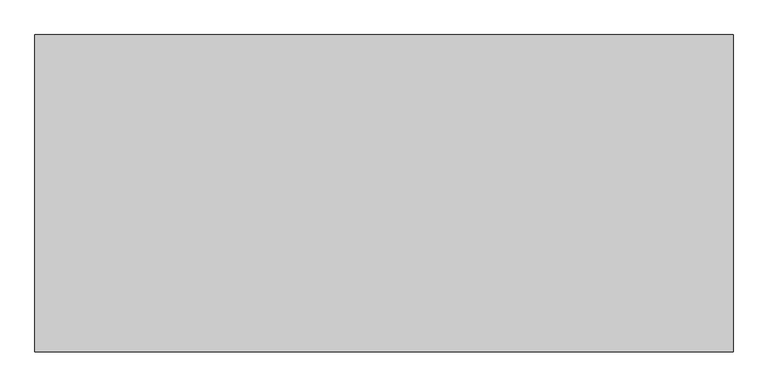
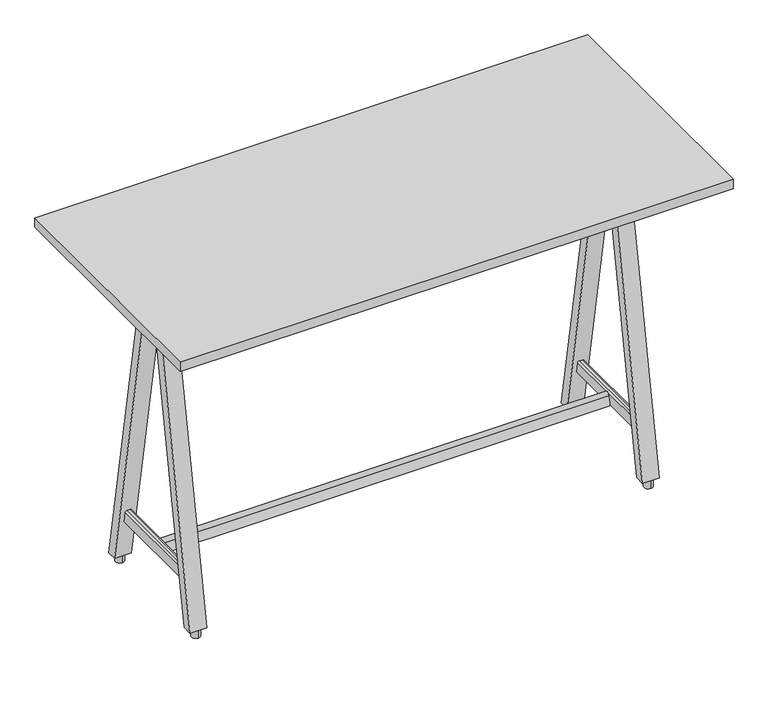
"""IFC4 building model written with IfcOpenShell, lengths in millimetres: furniture geometry."""

from ifc_helpers import new_model, si_unit, point, frame, frame_2d, origin, origin_with_axes, place, context, project, spatial, polyline, circle_curve, ellipse_curve, trimmed, segment, composite_curve, outline, extrude, source, transform, mapped, element, save
from ifc_brep_helpers import plane_surface, cylinder_surface, advanced_brep


def furniture_aec47298(model_context):
    return source(origin(), model_context, "Body", "SolidModel", [
        advanced_brep(
        [(771.6204248, 160.1939329, 150.8125), (771.6204248, 154.368117, 183.8523437), (771.6204248, -154.368117, 183.8523437), (771.6204248, -160.1939329, 150.8125), (766.5602685, 153.4758749, 188.9125), (766.5602685, -153.4758749, 188.9125), (757.6504157, 153.4758749, 188.9125), (757.6504157, -153.4758749, 188.9125), (752.5704157, 154.371616, 183.8325), (752.5704157, -154.371616, 183.8325), (752.5704157, 160.1939329, 150.8125), (752.5704157, -160.1939329, 150.8125), (736.6, 182.3075404, 25.4), (736.6, 9.8773859, 1003.3), (736.6, 40.5051911, 1003.3), (736.6, 212.9353456, 25.4), (787.4, 182.3075404, 25.4), (787.4, 212.9353456, 25.4), (787.4, 40.5051911, 1003.3), (787.4, 9.8773859, 1003.3), (736.6, -182.3075404, 25.4), (736.6, -212.9353456, 25.4), (736.6, -40.5051911, 1003.3), (736.6, -9.8773859, 1003.3), (787.4, -182.3075404, 25.4), (787.4, -9.8773859, 1003.3), (787.4, -40.5051911, 1003.3), (787.4, -212.9353456, 25.4)],
        [
            (0, 1),
            (1, 2),
            (2, 3),
            (3, 0),
            (1, 4, ellipse_curve(frame((766.5602685, 154.368117, 183.8523437), z_axis=(0.0, -0.9848077530122079, -0.17364817766693155), x_axis=(0.0, -0.1736481776669305, 0.984807753012208)), 5.1382173, 5.0601563)),
            (4, 5),
            (5, 2, ellipse_curve(frame((766.5602685, -154.368117, 183.8523437), z_axis=(0.0, 0.9848077530122079, -0.17364817766693152), x_axis=(0.0, -0.1736481776669314, -0.9848077530122078)), 5.1382173, 5.0601563)),
            (4, 6),
            (6, 7),
            (7, 5),
            (6, 8, ellipse_curve(frame((757.6504157, 154.371616, 183.8325), z_axis=(0.0, -0.9848077530122079, -0.17364817766693155), x_axis=(0.0, -0.1736481776669305, 0.984807753012208)), 5.1583672, 5.08)),
            (8, 9),
            (9, 7, ellipse_curve(frame((757.6504157, -154.371616, 183.8325), z_axis=(0.0, 0.9848077530122079, -0.17364817766693152), x_axis=(0.0, -0.1736481776669314, -0.9848077530122078)), 5.1583672, 5.08)),
            (8, 10),
            (10, 11),
            (11, 9),
            (10, 0),
            (3, 11),
            (12, 13),
            (13, 14),
            (14, 15),
            (15, 12),
            (16, 17),
            (17, 18),
            (18, 19),
            (19, 16),
            (15, 17),
            (16, 12),
            (14, 18),
            (13, 19),
            (20, 21),
            (21, 22),
            (22, 23),
            (23, 20),
            (24, 25),
            (25, 26),
            (26, 27),
            (27, 24),
            (20, 24),
            (27, 21),
            (26, 22),
            (25, 23),
        ],
        [
            plane_surface(frame((771.6204248, -171.3906962, 150.8125), z_axis=(1.0, 0.0, 0.0), x_axis=(0.0, 1.0, 0.0))),
            cylinder_surface(frame((766.5602685, 171.3906962, 183.8523437), z_axis=(0.0, -1.0, 0.0), x_axis=(1.0, 0.0, 0.0)), 5.0601563),
            plane_surface(frame((766.5602685, -171.3906962, 188.9125), z_axis=(0.0, 0.0, 1.0), x_axis=(0.0, 1.0, 0.0))),
            cylinder_surface(frame((757.6504157, 171.3906962, 183.8325), z_axis=(0.0, -1.0, 0.0), x_axis=(1.0, 0.0, 0.0)), 5.08),
            plane_surface(frame((752.5704157, -171.3906962, 183.8325), z_axis=(-1.0, 0.0, 0.0), x_axis=(0.0, 1.0, 0.0))),
            plane_surface(frame((752.5704157, -171.3906962, 150.8125), z_axis=(0.0, 0.0, -1.0), x_axis=(0.0, 1.0, 0.0))),
            plane_surface(frame((736.6, 182.3075404, 25.4), z_axis=(-1.0, 0.0, 0.0), x_axis=(0.0, -0.17364817766693155, 0.9848077530122079))),
            plane_surface(frame((787.4, 182.3075404, 25.4), z_axis=(1.0, 0.0, 0.0), x_axis=(0.0, 0.17364817766693155, -0.9848077530122079))),
            plane_surface(frame((736.6, 212.9353456, 25.4), z_axis=(0.0, 0.0, -1.0), x_axis=(1.0, 0.0, 0.0))),
            plane_surface(frame((736.6, 40.5051911, 1003.3), z_axis=(0.0, 0.9848077530122079, 0.1736481776669316), x_axis=(1.0, 0.0, 0.0))),
            plane_surface(frame((736.6, 9.8773859, 1003.3), z_axis=(0.0, 0.0, 1.0), x_axis=(1.0, 0.0, 0.0))),
            plane_surface(frame((736.6, 182.3075404, 25.4), z_axis=(0.0, -0.9848077530122079, -0.17364817766693155), x_axis=(1.0, 0.0, 0.0))),
            plane_surface(frame((736.6, -212.9353456, 25.4), z_axis=(-1.0, 0.0, 0.0), x_axis=(0.0, -1.0, 0.0))),
            plane_surface(frame((787.4, -212.9353456, 25.4), z_axis=(1.0, 0.0, 0.0), x_axis=(0.0, 1.0, 0.0))),
            plane_surface(frame((736.6, -182.3075404, 25.4), z_axis=(0.0, 0.0, -1.0), x_axis=(1.0, 0.0, 0.0))),
            plane_surface(frame((736.6, -212.9353456, 25.4), z_axis=(0.0, -0.9848077530122079, 0.17364817766693147), x_axis=(1.0, 0.0, 0.0))),
            plane_surface(frame((736.6, -40.5051911, 1003.3), z_axis=(0.0, 0.0, 1.0), x_axis=(1.0, 0.0, 0.0))),
            plane_surface(frame((736.6, -9.8773859, 1003.3), z_axis=(0.0, 0.9848077530122079, -0.17364817766693152), x_axis=(1.0, 0.0, 0.0))),
        ],
        [
            (0, [[1, 2, 3, 4]]),
            (1, [[5, 6, 7, -2]]),
            (2, [[8, 9, 10, -6]]),
            (3, [[11, 12, 13, -9]]),
            (4, [[14, 15, 16, -12]]),
            (5, [[17, -4, 18, -15]]),
            (6, [[19, 20, 21, 22]]),
            (7, [[23, 24, 25, 26]]),
            (8, [[-22, 27, -23, 28]]),
            (9, [[-21, 29, -24, -27]]),
            (10, [[-20, 30, -25, -29]]),
            (11, [[-19, -28, -26, -30], [-1, -17, -14, -11, -8, -5]]),
            (12, [[31, 32, 33, 34]]),
            (13, [[35, 36, 37, 38]]),
            (14, [[-31, 39, -38, 40]]),
            (15, [[-32, -40, -37, 41]]),
            (16, [[-33, -41, -36, 42]]),
            (17, [[-34, -42, -35, -39], [-3, -7, -10, -13, -16, -18]]),
        ],
    ),
        extrude(outline(composite_curve([segment(trimmed(circle_curve(frame_2d((762.0, 199.3703837)), 12.7), [point((762.0, 186.6703837))], [point((762.0, 212.0703837))], False, "CARTESIAN"), True, "CONTINUOUS"), segment(trimmed(circle_curve(frame_2d((762.0, 199.3703837)), 12.7), [point((762.0, 212.0703837))], [point((762.0, 186.6703837))], False, "CARTESIAN"), True, "CONTINUOUS")], self_intersect=False)), origin_with_axes(), (0.0, 0.0, 1.0), 25.4),
        extrude(outline(composite_curve([segment(trimmed(circle_curve(frame_2d((762.0, -199.3703837)), 12.7), [point((762.0, -186.6703837))], [point((762.0, -212.0703837))], False, "CARTESIAN"), True, "CONTINUOUS"), segment(trimmed(circle_curve(frame_2d((762.0, -199.3703837)), 12.7), [point((762.0, -212.0703837))], [point((762.0, -186.6703837))], False, "CARTESIAN"), True, "CONTINUOUS")], self_intersect=False)), origin_with_axes(), (0.0, 0.0, 1.0), 25.4),
        extrude(outline(composite_curve([segment(trimmed(circle_curve(frame_2d((825.5954127, 95.2498668)), 6.35), [point((825.5954127, 101.5998668))], [point((831.9454127, 95.2498668))], False, "CARTESIAN"), True, "CONTINUOUS"), segment(polyline([(831.9454127, 95.2498668), (831.9454127, -95.2501302)]), True, "CONTINUOUS"), segment(trimmed(circle_curve(frame_2d((825.5954127, -95.2501302)), 6.35), [point((831.9454127, -95.2501302))], [point((825.5954127, -101.6001302))], False, "CARTESIAN"), True, "CONTINUOUS"), segment(polyline([(825.5954127, -101.6001302), (698.5954187, -101.6001302)]), True, "CONTINUOUS"), segment(trimmed(circle_curve(frame_2d((698.5954187, -95.2501302)), 6.35), [point((698.5954187, -101.6001302))], [point((692.2454187, -95.2501302))], False, "CARTESIAN"), True, "CONTINUOUS"), segment(polyline([(692.2454187, -95.2501302), (692.2454187, 95.2498668)]), True, "CONTINUOUS"), segment(trimmed(circle_curve(frame_2d((698.5954187, 95.2498668)), 6.35), [point((692.2454187, 95.2498668))], [point((698.5954187, 101.5998668))], False, "CARTESIAN"), True, "CONTINUOUS"), segment(polyline([(698.5954187, 101.5998668), (825.5954127, 101.5998668)]), True, "CONTINUOUS")], self_intersect=False)), frame((0.0, 0.0, 1003.3), z_axis=(0.0, 0.0, 1.0), x_axis=(1.0, 0.0, 0.0)), (0.0, 0.0, 1.0), 7.9375),
        advanced_brep(
        [(-599.9795752, 160.1939329, 150.8125), (-599.9795752, 154.368117, 183.8523437), (-599.9795752, -154.368117, 183.8523437), (-599.9795752, -160.1939329, 150.8125), (-605.0397315, 153.4758749, 188.9125), (-605.0397315, -153.4758749, 188.9125), (-613.9495843, 153.4758749, 188.9125), (-613.9495843, -153.4758749, 188.9125), (-619.0295843, 154.371616, 183.8325), (-619.0295843, -154.371616, 183.8325), (-619.0295843, 160.1939329, 150.8125), (-619.0295843, -160.1939329, 150.8125), (-635.0, 182.3075404, 25.4), (-635.0, 9.8773859, 1003.3), (-635.0, 40.5051911, 1003.3), (-635.0, 212.9353456, 25.4), (-584.2, 182.3075404, 25.4), (-584.2, 212.9353456, 25.4), (-584.2, 40.5051911, 1003.3), (-584.2, 9.8773859, 1003.3), (-635.0, -182.3075404, 25.4), (-635.0, -212.9353456, 25.4), (-635.0, -40.5051911, 1003.3), (-635.0, -9.8773859, 1003.3), (-584.2, -182.3075404, 25.4), (-584.2, -9.8773859, 1003.3), (-584.2, -40.5051911, 1003.3), (-584.2, -212.9353456, 25.4)],
        [
            (0, 1),
            (1, 2),
            (2, 3),
            (3, 0),
            (1, 4, ellipse_curve(frame((-605.0397315, 154.368117, 183.8523437), z_axis=(0.0, -0.9848077530122079, -0.17364817766693155), x_axis=(0.0, -0.1736481776669305, 0.984807753012208)), 5.1382173, 5.0601563)),
            (4, 5),
            (5, 2, ellipse_curve(frame((-605.0397315, -154.368117, 183.8523437), z_axis=(0.0, 0.9848077530122079, -0.17364817766693152), x_axis=(0.0, -0.1736481776669314, -0.9848077530122078)), 5.1382173, 5.0601563)),
            (4, 6),
            (6, 7),
            (7, 5),
            (6, 8, ellipse_curve(frame((-613.9495843, 154.371616, 183.8325), z_axis=(0.0, -0.9848077530122079, -0.17364817766693155), x_axis=(0.0, -0.1736481776669305, 0.984807753012208)), 5.1583672, 5.08)),
            (8, 9),
            (9, 7, ellipse_curve(frame((-613.9495843, -154.371616, 183.8325), z_axis=(0.0, 0.9848077530122079, -0.17364817766693152), x_axis=(0.0, -0.1736481776669314, -0.9848077530122078)), 5.1583672, 5.08)),
            (8, 10),
            (10, 11),
            (11, 9),
            (10, 0),
            (3, 11),
            (12, 13),
            (13, 14),
            (14, 15),
            (15, 12),
            (16, 17),
            (17, 18),
            (18, 19),
            (19, 16),
            (15, 17),
            (16, 12),
            (14, 18),
            (13, 19),
            (20, 21),
            (21, 22),
            (22, 23),
            (23, 20),
            (24, 25),
            (25, 26),
            (26, 27),
            (27, 24),
            (20, 24),
            (27, 21),
            (26, 22),
            (25, 23),
        ],
        [
            plane_surface(frame((-599.9795752, -171.3906962, 150.8125), z_axis=(1.0, 0.0, 0.0), x_axis=(0.0, 1.0, 0.0))),
            cylinder_surface(frame((-605.0397315, 171.3906962, 183.8523437), z_axis=(0.0, -1.0, 0.0), x_axis=(1.0, 0.0, 0.0)), 5.0601563),
            plane_surface(frame((-605.0397315, -171.3906962, 188.9125), z_axis=(0.0, 0.0, 1.0), x_axis=(0.0, 1.0, 0.0))),
            cylinder_surface(frame((-613.9495843, 171.3906962, 183.8325), z_axis=(0.0, -1.0, 0.0), x_axis=(1.0, 0.0, 0.0)), 5.08),
            plane_surface(frame((-619.0295843, -171.3906962, 183.8325), z_axis=(-1.0, 0.0, 0.0), x_axis=(0.0, 1.0, 0.0))),
            plane_surface(frame((-619.0295843, -171.3906962, 150.8125), z_axis=(0.0, 0.0, -1.0), x_axis=(0.0, 1.0, 0.0))),
            plane_surface(frame((-635.0, 182.3075404, 25.4), z_axis=(-1.0, 0.0, 0.0), x_axis=(0.0, -0.17364817766693155, 0.9848077530122079))),
            plane_surface(frame((-584.2, 182.3075404, 25.4), z_axis=(1.0, 0.0, 0.0), x_axis=(0.0, 0.17364817766693155, -0.9848077530122079))),
            plane_surface(frame((-635.0, 212.9353456, 25.4), z_axis=(0.0, 0.0, -1.0), x_axis=(1.0, 0.0, 0.0))),
            plane_surface(frame((-635.0, 40.5051911, 1003.3), z_axis=(0.0, 0.9848077530122079, 0.1736481776669316), x_axis=(1.0, 0.0, 0.0))),
            plane_surface(frame((-635.0, 9.8773859, 1003.3), z_axis=(0.0, 0.0, 1.0), x_axis=(1.0, 0.0, 0.0))),
            plane_surface(frame((-635.0, 182.3075404, 25.4), z_axis=(0.0, -0.9848077530122079, -0.17364817766693155), x_axis=(1.0, 0.0, 0.0))),
            plane_surface(frame((-635.0, -212.9353456, 25.4), z_axis=(-1.0, 0.0, 0.0), x_axis=(0.0, -1.0, 0.0))),
            plane_surface(frame((-584.2, -212.9353456, 25.4), z_axis=(1.0, 0.0, 0.0), x_axis=(0.0, 1.0, 0.0))),
            plane_surface(frame((-635.0, -182.3075404, 25.4), z_axis=(0.0, 0.0, -1.0), x_axis=(1.0, 0.0, 0.0))),
            plane_surface(frame((-635.0, -212.9353456, 25.4), z_axis=(0.0, -0.9848077530122079, 0.17364817766693147), x_axis=(1.0, 0.0, 0.0))),
            plane_surface(frame((-635.0, -40.5051911, 1003.3), z_axis=(0.0, 0.0, 1.0), x_axis=(1.0, 0.0, 0.0))),
            plane_surface(frame((-635.0, -9.8773859, 1003.3), z_axis=(0.0, 0.9848077530122079, -0.17364817766693152), x_axis=(1.0, 0.0, 0.0))),
        ],
        [
            (0, [[1, 2, 3, 4]]),
            (1, [[5, 6, 7, -2]]),
            (2, [[8, 9, 10, -6]]),
            (3, [[11, 12, 13, -9]]),
            (4, [[14, 15, 16, -12]]),
            (5, [[17, -4, 18, -15]]),
            (6, [[19, 20, 21, 22]]),
            (7, [[23, 24, 25, 26]]),
            (8, [[-22, 27, -23, 28]]),
            (9, [[-21, 29, -24, -27]]),
            (10, [[-20, 30, -25, -29]]),
            (11, [[-19, -28, -26, -30], [-1, -17, -14, -11, -8, -5]]),
            (12, [[31, 32, 33, 34]]),
            (13, [[35, 36, 37, 38]]),
            (14, [[-31, 39, -38, 40]]),
            (15, [[-32, -40, -37, 41]]),
            (16, [[-33, -41, -36, 42]]),
            (17, [[-34, -42, -35, -39], [-3, -7, -10, -13, -16, -18]]),
        ],
    ),
        extrude(outline(composite_curve([segment(trimmed(circle_curve(frame_2d((-609.6, 199.3703837)), 12.7), [point((-609.6, 186.6703837))], [point((-609.6, 212.0703837))], False, "CARTESIAN"), True, "CONTINUOUS"), segment(trimmed(circle_curve(frame_2d((-609.6, 199.3703837)), 12.7), [point((-609.6, 212.0703837))], [point((-609.6, 186.6703837))], False, "CARTESIAN"), True, "CONTINUOUS")], self_intersect=False)), origin_with_axes(), (0.0, 0.0, 1.0), 25.4),
        extrude(outline(composite_curve([segment(trimmed(circle_curve(frame_2d((-609.6, -199.3703837)), 12.7), [point((-609.6, -186.6703837))], [point((-609.6, -212.0703837))], False, "CARTESIAN"), True, "CONTINUOUS"), segment(trimmed(circle_curve(frame_2d((-609.6, -199.3703837)), 12.7), [point((-609.6, -212.0703837))], [point((-609.6, -186.6703837))], False, "CARTESIAN"), True, "CONTINUOUS")], self_intersect=False)), origin_with_axes(), (0.0, 0.0, 1.0), 25.4),
        extrude(outline(composite_curve([segment(trimmed(circle_curve(frame_2d((-546.0045873, 95.2498668)), 6.35), [point((-546.0045873, 101.5998668))], [point((-539.6545873, 95.2498668))], False, "CARTESIAN"), True, "CONTINUOUS"), segment(polyline([(-539.6545873, 95.2498668), (-539.6545873, -95.2501302)]), True, "CONTINUOUS"), segment(trimmed(circle_curve(frame_2d((-546.0045873, -95.2501302)), 6.35), [point((-539.6545873, -95.2501302))], [point((-546.0045873, -101.6001302))], False, "CARTESIAN"), True, "CONTINUOUS"), segment(polyline([(-546.0045873, -101.6001302), (-673.0045813, -101.6001302)]), True, "CONTINUOUS"), segment(trimmed(circle_curve(frame_2d((-673.0045813, -95.2501302)), 6.35), [point((-673.0045813, -101.6001302))], [point((-679.3545813, -95.2501302))], False, "CARTESIAN"), True, "CONTINUOUS"), segment(polyline([(-679.3545813, -95.2501302), (-679.3545813, 95.2498668)]), True, "CONTINUOUS"), segment(trimmed(circle_curve(frame_2d((-673.0045813, 95.2498668)), 6.35), [point((-679.3545813, 95.2498668))], [point((-673.0045813, 101.5998668))], False, "CARTESIAN"), True, "CONTINUOUS"), segment(polyline([(-673.0045813, 101.5998668), (-546.0045873, 101.5998668)]), True, "CONTINUOUS")], self_intersect=False)), frame((0.0, 0.0, 1003.3), z_axis=(0.0, 0.0, 1.0), x_axis=(1.0, 0.0, 0.0)), (0.0, 0.0, 1.0), 7.9375),
        extrude(outline(composite_curve([segment(polyline([(17.145, 150.8125), (-17.145, 150.8125), (-9.7492458, 178.4138305)]), True, "CONTINUOUS"), segment(trimmed(circle_curve(frame_2d((0.0, 175.801528)), 10.0931619), [point((-9.7492458, 178.4138305))], [point((9.7492458, 178.4138305))], False, "CARTESIAN"), True, "CONTINUOUS"), segment(polyline([(9.7492458, 178.4138305), (17.145, 150.8125)]), True, "CONTINUOUS")], self_intersect=False)), frame((-609.6, 0.0, 0.0), z_axis=(1.0, 0.0, 0.0), x_axis=(0.0, 1.0, 0.0)), (0.0, 0.0, 1.0), 1371.6),
        extrude(outline(polyline([(914.4, 381.0), (914.4, -381.0), (-762.0, -381.0), (-762.0, 381.0), (914.4, 381.0)])), frame((0.0, 0.0, 1011.2375), z_axis=(0.0, 0.0, 1.0), x_axis=(1.0, 0.0, 0.0)), (0.0, 0.0, 1.0), 30.1625),
    ])


if __name__ == "__main__":
    model = new_model("IFC4")
    model_context = context("Model", 3, world=origin())
    ifc_project = project(units=[si_unit("LENGTHUNIT", "METRE", prefix="MILLI")], contexts=[model_context])
    site = spatial("IfcSite", under=ifc_project)
    building = spatial("IfcBuilding", under=site)
    placement = place(None, origin())
    furniture_shape = furniture_aec47298(model_context)
    element("IfcFurniture", 1, at=placement, inside=building, context=model_context, shape_type="MappedRepresentation", body=[
        mapped(furniture_shape, transform((0.0, 0.0, 0.0), x_axis=(1.0, 0.0, 0.0), y_axis=(0.0, 1.0, 0.0), z_axis=(0.0, 0.0, 1.0))),
    ])
    save(model, "model.ifc")
